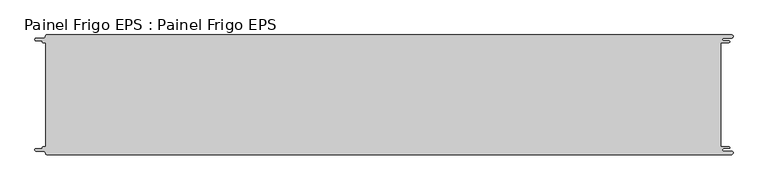
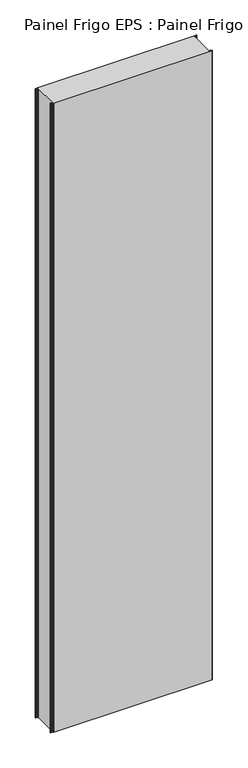
"""IFC4 building model written with IfcOpenShell, lengths in millimetres: proxy geometry, Painel Frigo EPS : Painel Frigo EPS."""

from ifc_helpers import new_model, si_unit, frame, origin, place, context, project, spatial, polyline, circle_curve, source, transform, mapped, element, save
from ifc_brep_helpers import plane_surface, cylinder_surface, revolved_surface, advanced_brep


def painel_frigo_eps_painel_frigo_eps_421d7d4d(model_context):
    return source(origin(), model_context, "Body", "AdvancedBrep", [
        advanced_brep(
        [(-579.5093748, -87.3, 4800.0), (-580.1093748, -87.9, 4800.0), (-580.1093748, -88.7085184, 4800.0), (-581.5093751, -90.1085187, 4800.0), (-590.4875, -90.1085187, 4800.0), (-590.4875, -94.5085185, 4800.0), (-578.471875, -94.5085185, 4800.0), (-574.921875, -98.0585185, 4800.0), (-572.971875, -100.0, 4800.0), (572.284375, -100.0, 4800.0), (572.284375, -94.725, 4800.0), (559.378125, -94.725, 4800.0), (559.378125, -89.875, 4800.0), (568.0406253, -89.875, 4800.0), (568.0406253, -87.3, 4800.0), (554.1906253, -87.3, 4800.0), (554.1906253, 87.3, 4800.0), (568.0406253, 87.3, 4800.0), (568.0406253, 89.875, 4800.0), (559.378125, 89.875, 4800.0), (559.378125, 94.725, 4800.0), (572.284375, 94.725, 4800.0), (572.284375, 100.0, 4800.0), (-572.971875, 100.0, 4800.0), (-574.921875, 98.05, 4800.0), (-578.471875, 94.5085185, 4800.0), (-590.4875, 94.5085185, 4800.0), (-590.4875, 90.1085185, 4800.0), (-581.5093753, 90.1085185, 4800.0), (-580.1093753, 88.7085185, 4800.0), (-580.1093753, 87.9, 4800.0), (-579.5093748, 87.2999995, 4800.0), (-574.2218362, 87.2999995, 4800.0), (-574.2218362, -87.3, 4800.0), (-579.5093748, -87.3, 0.0), (-574.2218362, -87.3, 0.0), (-574.2218362, 87.2999995, 0.0), (-579.5093748, 87.2999995, 0.0), (-580.1093753, 87.9, 0.0), (-580.1093753, 88.7085185, 0.0), (-581.5093753, 90.1085185, 0.0), (-590.4875, 90.1085185, 0.0), (-590.4875, 94.5085185, 0.0), (-578.471875, 94.5085185, 0.0), (-574.921875, 98.0585185, 0.0), (-572.971875, 100.0, 0.0), (572.284375, 100.0, 0.0), (572.284375, 94.725, 0.0), (559.378125, 94.725, 0.0), (559.378125, 89.875, 0.0), (568.0406253, 89.875, 0.0), (568.0406253, 87.3, 0.0), (554.1906253, 87.3, 0.0), (554.1906253, -87.3, 0.0), (568.0406253, -87.3, 0.0), (568.0406253, -89.875, 0.0), (559.378125, -89.875, 0.0), (559.378125, -94.725, 0.0), (572.284375, -94.725, 0.0), (572.284375, -100.0, 0.0), (-572.971875, -100.0, 0.0), (-574.921875, -98.05, 0.0), (-578.471875, -94.5085185, 0.0), (-590.4875, -94.5085185, 0.0), (-590.4875, -90.1085187, 0.0), (-581.5093751, -90.1085187, 0.0), (-580.1093748, -88.7085184, 0.0), (-580.1093748, -87.9, 0.0)],
        [
            (0, 1, circle_curve(frame((-579.5093748, -87.9, 4800.0), z_axis=(0.0, 0.0, 1.0), x_axis=(1.0, 0.0, 0.0)), 0.6)),
            (1, 2),
            (2, 3, circle_curve(frame((-581.5093751, -88.7085184, 4800.0), z_axis=(0.0, 0.0, -1.0), x_axis=(1.0, 0.0, 0.0)), 1.4000003)),
            (3, 4),
            (4, 5, circle_curve(frame((-590.4875, -92.3085186, 4800.0), z_axis=(0.0, 0.0, 1.0), x_axis=(1.0, 0.0, 0.0)), 2.1999999)),
            (5, 6),
            (6, 7, circle_curve(frame((-578.471875, -98.0585185, 4800.0), z_axis=(0.0, 0.0, -1.0), x_axis=(1.0, 0.0, 0.0)), 3.55)),
            (7, 8, circle_curve(frame((-572.971875, -98.05, 4800.0), z_axis=(0.0, 0.0, 1.0), x_axis=(1.0, 0.0, 0.0)), 1.95)),
            (8, 9),
            (9, 10, circle_curve(frame((572.284375, -97.3625, 4800.0), z_axis=(0.0, 0.0, 1.0), x_axis=(1.0, 0.0, 0.0)), 2.6375)),
            (10, 11),
            (11, 12, circle_curve(frame((559.378125, -92.3, 4800.0), z_axis=(0.0, 0.0, -1.0), x_axis=(1.0, 0.0, 0.0)), 2.425)),
            (12, 13),
            (13, 14, circle_curve(frame((568.0406253, -88.5875, 4800.0), z_axis=(0.0, 0.0, 1.0), x_axis=(1.0, 0.0, 0.0)), 1.2875)),
            (14, 15),
            (15, 16),
            (16, 17),
            (17, 18, circle_curve(frame((568.0406253, 88.5875, 4800.0), z_axis=(0.0, 0.0, 1.0), x_axis=(1.0, 0.0, 0.0)), 1.2875)),
            (18, 19),
            (19, 20, circle_curve(frame((559.378125, 92.3, 4800.0), z_axis=(0.0, 0.0, -1.0), x_axis=(1.0, 0.0, 0.0)), 2.425)),
            (20, 21),
            (21, 22, circle_curve(frame((572.284375, 97.3625, 4800.0), z_axis=(0.0, 0.0, 1.0), x_axis=(1.0, 0.0, 0.0)), 2.6375)),
            (22, 23),
            (23, 24, circle_curve(frame((-572.971875, 98.05, 4800.0), z_axis=(0.0, 0.0, 1.0), x_axis=(1.0, 0.0, 0.0)), 1.95)),
            (24, 25, circle_curve(frame((-578.471875, 98.0585185, 4800.0), z_axis=(0.0, 0.0, -1.0), x_axis=(1.0, 0.0, 0.0)), 3.55)),
            (25, 26),
            (26, 27, circle_curve(frame((-590.4875, 92.3085185, 4800.0), z_axis=(0.0, 0.0, 1.0), x_axis=(1.0, 0.0, 0.0)), 2.2)),
            (27, 28),
            (28, 29, circle_curve(frame((-581.5093753, 88.7085185, 4800.0), z_axis=(0.0, 0.0, -1.0), x_axis=(1.0, 0.0, 0.0)), 1.4)),
            (29, 30),
            (30, 31, circle_curve(frame((-579.5093748, 87.9, 4800.0), z_axis=(0.0, 0.0, 1.0), x_axis=(1.0, 0.0, 0.0)), 0.6000005)),
            (31, 32),
            (32, 33),
            (33, 0),
            (34, 35),
            (35, 36),
            (36, 37),
            (37, 38, circle_curve(frame((-579.5093748, 87.9, 0.0), z_axis=(0.0, 0.0, -1.0), x_axis=(1.0, 0.0, 0.0)), 0.6000005)),
            (38, 39),
            (39, 40, circle_curve(frame((-581.5093753, 88.7085185, 0.0), z_axis=(0.0, 0.0, 1.0), x_axis=(1.0, 0.0, 0.0)), 1.4)),
            (40, 41),
            (41, 42, circle_curve(frame((-590.4875, 92.3085185, 0.0), z_axis=(0.0, 0.0, -1.0), x_axis=(1.0, 0.0, 0.0)), 2.2)),
            (42, 43),
            (43, 44, circle_curve(frame((-578.471875, 98.0585185, 0.0), z_axis=(0.0, 0.0, 1.0), x_axis=(1.0, 0.0, 0.0)), 3.55)),
            (44, 45, circle_curve(frame((-572.971875, 98.05, 0.0), z_axis=(0.0, 0.0, -1.0), x_axis=(1.0, 0.0, 0.0)), 1.95)),
            (45, 46),
            (46, 47, circle_curve(frame((572.284375, 97.3625, 0.0), z_axis=(0.0, 0.0, -1.0), x_axis=(1.0, 0.0, 0.0)), 2.6375)),
            (47, 48),
            (48, 49, circle_curve(frame((559.378125, 92.3, 0.0), z_axis=(0.0, 0.0, 1.0), x_axis=(1.0, 0.0, 0.0)), 2.425)),
            (49, 50),
            (50, 51, circle_curve(frame((568.0406253, 88.5875, 0.0), z_axis=(0.0, 0.0, -1.0), x_axis=(1.0, 0.0, 0.0)), 1.2875)),
            (51, 52),
            (52, 53),
            (53, 54),
            (54, 55, circle_curve(frame((568.0406253, -88.5875, 0.0), z_axis=(0.0, 0.0, -1.0), x_axis=(1.0, 0.0, 0.0)), 1.2875)),
            (55, 56),
            (56, 57, circle_curve(frame((559.378125, -92.3, 0.0), z_axis=(0.0, 0.0, 1.0), x_axis=(1.0, 0.0, 0.0)), 2.425)),
            (57, 58),
            (58, 59, circle_curve(frame((572.284375, -97.3625, 0.0), z_axis=(0.0, 0.0, -1.0), x_axis=(1.0, 0.0, 0.0)), 2.6375)),
            (59, 60),
            (60, 61, circle_curve(frame((-572.971875, -98.05, 0.0), z_axis=(0.0, 0.0, -1.0), x_axis=(1.0, 0.0, 0.0)), 1.95)),
            (61, 62, circle_curve(frame((-578.471875, -98.0585185, 0.0), z_axis=(0.0, 0.0, 1.0), x_axis=(1.0, 0.0, 0.0)), 3.55)),
            (62, 63),
            (63, 64, circle_curve(frame((-590.4875, -92.3085186, 0.0), z_axis=(0.0, 0.0, -1.0), x_axis=(1.0, 0.0, 0.0)), 2.1999999)),
            (64, 65),
            (65, 66, circle_curve(frame((-581.5093751, -88.7085184, 0.0), z_axis=(0.0, 0.0, 1.0), x_axis=(1.0, 0.0, 0.0)), 1.4000003)),
            (66, 67),
            (67, 34, circle_curve(frame((-579.5093748, -87.9, 0.0), z_axis=(0.0, 0.0, -1.0), x_axis=(1.0, 0.0, 0.0)), 0.6)),
            (22, 46),
            (45, 23),
            (8, 60),
            (59, 9),
            (33, 35),
            (34, 0),
            (32, 36),
            (31, 37),
            (30, 38),
            (29, 39),
            (28, 40),
            (27, 41),
            (26, 42),
            (25, 43),
            (24, 44),
            (15, 53),
            (52, 16),
            (14, 54),
            (13, 55),
            (12, 56),
            (11, 57),
            (10, 58),
            (7, 61),
            (6, 62),
            (5, 63),
            (4, 64),
            (3, 65),
            (2, 66),
            (1, 67),
            (21, 47),
            (20, 48),
            (19, 49),
            (18, 50),
            (17, 51),
        ],
        [
            plane_surface(frame((-574.2218362, -87.3, 4800.0), z_axis=(0.0, 0.0, 1.0), x_axis=(1.0, 0.0, 0.0))),
            plane_surface(frame((-574.2218362, -87.3, 0.0), z_axis=(0.0, 0.0, -1.0), x_axis=(-1.0, 0.0, 0.0))),
            plane_surface(frame((-572.971875, 100.0, 4800.0), z_axis=(0.0, 1.0, 0.0), x_axis=(0.0, 0.0, -1.0))),
            plane_surface(frame((572.284375, -100.0, 4800.0), z_axis=(0.0, -1.0, 0.0), x_axis=(0.0, 0.0, -1.0))),
            plane_surface(frame((-579.5093748, -87.3, 4800.0), z_axis=(0.0, 1.0, 0.0), x_axis=(0.0, 0.0, -1.0))),
            plane_surface(frame((-574.2218362, -87.3, 4800.0), z_axis=(-1.0, 0.0, 0.0), x_axis=(0.0, 0.0, -1.0))),
            plane_surface(frame((-574.2218362, 87.2999995, 4800.0), z_axis=(0.0, -1.0, 0.0), x_axis=(0.0, 0.0, -1.0))),
            cylinder_surface(frame((-579.5093748, 87.9, 0.0), z_axis=(0.0, 0.0, 1.0), x_axis=(1.0, 0.0, 0.0)), 0.6000005),
            plane_surface(frame((-580.1093753, 87.9, 4800.0), z_axis=(-1.0, -1.757860866232952e-12, 0.0), x_axis=(0.0, 0.0, -1.0))),
            revolved_surface(polyline([(-580.1093753, 88.7085185, 0.0), (-580.1093753, 88.7085185, 4800.0)]), (-581.5093753, 88.7085185, 0.0), (0.0, 0.0, -1.0)),
            plane_surface(frame((-581.5093753, 90.1085185, 4800.0), z_axis=(0.0, -1.0, 0.0), x_axis=(0.0, 0.0, -1.0))),
            cylinder_surface(frame((-590.4875, 92.3085185, 0.0), z_axis=(0.0, 0.0, 1.0), x_axis=(1.0, 0.0, 0.0)), 2.2),
            plane_surface(frame((-590.4875, 94.5085185, 4800.0), z_axis=(0.0, 1.0, 0.0), x_axis=(0.0, 0.0, -1.0))),
            revolved_surface(polyline([(-574.921875, 98.0585185, 0.0), (-574.921875, 98.0585185, 4800.0)]), (-578.471875, 98.0585185, 0.0), (0.0, 0.0, -1.0)),
            cylinder_surface(frame((-572.971875, 98.05, 0.0), z_axis=(0.0, 0.0, 1.0), x_axis=(1.0, 0.0, 0.0)), 1.95),
            plane_surface(frame((554.1906253, 87.3, 4800.0), z_axis=(1.0, 0.0, 0.0), x_axis=(0.0, 0.0, -1.0))),
            plane_surface(frame((554.1906253, -87.3, 4800.0), z_axis=(0.0, 1.0, 0.0), x_axis=(0.0, 0.0, -1.0))),
            cylinder_surface(frame((568.0406253, -88.5875, 0.0), z_axis=(0.0, 0.0, 1.0), x_axis=(1.0, 0.0, 0.0)), 1.2875),
            plane_surface(frame((568.0406253, -89.875, 4800.0), z_axis=(0.0, -1.0, 0.0), x_axis=(0.0, 0.0, -1.0))),
            revolved_surface(polyline([(561.8031249999999, -92.3, 0.0), (561.8031249999999, -92.3, 4800.0)]), (559.378125, -92.3, 0.0), (0.0, 0.0, -1.0)),
            plane_surface(frame((559.378125, -94.725, 4800.0), z_axis=(0.0, 1.0, 0.0), x_axis=(0.0, 0.0, -1.0))),
            cylinder_surface(frame((572.284375, -97.3625, 0.0), z_axis=(0.0, 0.0, 1.0), x_axis=(1.0, 0.0, 0.0)), 2.6375),
            cylinder_surface(frame((-572.971875, -98.05, 0.0), z_axis=(0.0, 0.0, 1.0), x_axis=(1.0, 0.0, 0.0)), 1.95),
            revolved_surface(polyline([(-574.921875, -98.0585185, 0.0), (-574.921875, -98.0585185, 4800.0)]), (-578.471875, -98.0585185, 0.0), (0.0, 0.0, -1.0)),
            plane_surface(frame((-578.471875, -94.5085185, 4800.0), z_axis=(0.0, -1.0, 0.0), x_axis=(0.0, 0.0, -1.0))),
            cylinder_surface(frame((-590.4875, -92.3085186, 0.0), z_axis=(0.0, 0.0, 1.0), x_axis=(1.0, 0.0, 0.0)), 2.1999999),
            plane_surface(frame((-590.4875, -90.1085187, 4800.0), z_axis=(0.0, 1.0, 0.0), x_axis=(0.0, 0.0, -1.0))),
            revolved_surface(polyline([(-580.1093748000001, -88.7085184, 0.0), (-580.1093748000001, -88.7085184, 4800.0)]), (-581.5093751, -88.7085184, 0.0), (0.0, 0.0, -1.0)),
            plane_surface(frame((-580.1093748, -88.7085184, 4800.0), z_axis=(-1.0, 0.0, 0.0), x_axis=(0.0, 0.0, -1.0))),
            cylinder_surface(frame((-579.5093748, -87.9, 0.0), z_axis=(0.0, 0.0, 1.0), x_axis=(1.0, 0.0, 0.0)), 0.6),
            cylinder_surface(frame((572.284375, 97.3625, 0.0), z_axis=(0.0, 0.0, 1.0), x_axis=(1.0, 0.0, 0.0)), 2.6375),
            plane_surface(frame((572.284375, 94.725, 4800.0), z_axis=(0.0, -1.0, 0.0), x_axis=(0.0, 0.0, -1.0))),
            revolved_surface(polyline([(561.8031249999999, 92.3, 0.0), (561.8031249999999, 92.3, 4800.0)]), (559.378125, 92.3, 0.0), (0.0, 0.0, -1.0)),
            plane_surface(frame((559.378125, 89.875, 4800.0), z_axis=(0.0, 1.0, 0.0), x_axis=(0.0, 0.0, -1.0))),
            cylinder_surface(frame((568.0406253, 88.5875, 0.0), z_axis=(0.0, 0.0, 1.0), x_axis=(1.0, 0.0, 0.0)), 1.2875),
            plane_surface(frame((568.0406253, 87.3, 4800.0), z_axis=(0.0, -1.0, 0.0), x_axis=(0.0, 0.0, -1.0))),
        ],
        [
            (0, [[1, 2, 3, 4, 5, 6, 7, 8, 9, 10, 11, 12, 13, 14, 15, 16, 17, 18, 19, 20, 21, 22, 23, 24, 25, 26, 27, 28, 29, 30, 31, 32, 33, 34]]),
            (1, [[35, 36, 37, 38, 39, 40, 41, 42, 43, 44, 45, 46, 47, 48, 49, 50, 51, 52, 53, 54, 55, 56, 57, 58, 59, 60, 61, 62, 63, 64, 65, 66, 67, 68]]),
            (2, [[69, -46, 70, -23]]),
            (3, [[71, -60, 72, -9]]),
            (4, [[73, -35, 74, -34]]),
            (5, [[75, -36, -73, -33]]),
            (6, [[76, -37, -75, -32]]),
            (7, [[77, -38, -76, -31]]),
            (8, [[78, -39, -77, -30]]),
            (9, [[79, -40, -78, -29]]),
            (10, [[80, -41, -79, -28]]),
            (11, [[81, -42, -80, -27]]),
            (12, [[82, -43, -81, -26]]),
            (13, [[83, -44, -82, -25]]),
            (14, [[-70, -45, -83, -24]]),
            (15, [[84, -53, 85, -16]]),
            (16, [[86, -54, -84, -15]]),
            (17, [[87, -55, -86, -14]]),
            (18, [[88, -56, -87, -13]]),
            (19, [[89, -57, -88, -12]]),
            (20, [[90, -58, -89, -11]]),
            (21, [[-72, -59, -90, -10]]),
            (22, [[91, -61, -71, -8]]),
            (23, [[92, -62, -91, -7]]),
            (24, [[93, -63, -92, -6]]),
            (25, [[94, -64, -93, -5]]),
            (26, [[95, -65, -94, -4]]),
            (27, [[96, -66, -95, -3]]),
            (28, [[97, -67, -96, -2]]),
            (29, [[-74, -68, -97, -1]]),
            (30, [[98, -47, -69, -22]]),
            (31, [[99, -48, -98, -21]]),
            (32, [[100, -49, -99, -20]]),
            (33, [[101, -50, -100, -19]]),
            (34, [[102, -51, -101, -18]]),
            (35, [[-85, -52, -102, -17]]),
        ],
    ),
    ])


if __name__ == "__main__":
    model = new_model("IFC4")
    model_context = context("Model", 3, world=origin())
    ifc_project = project(units=[si_unit("LENGTHUNIT", "METRE", prefix="MILLI")], contexts=[model_context])
    site = spatial("IfcSite", under=ifc_project)
    building = spatial("IfcBuilding", under=site)
    placement = place(None, origin())
    painel_frigo_eps_painel_frigo_eps_shape = painel_frigo_eps_painel_frigo_eps_421d7d4d(model_context)
    element("IfcBuildingElementProxy", 1, Name="Painel Frigo EPS : Painel Frigo EPS", ObjectType="Painel Frigo EPS : Painel Frigo EPS", at=placement, inside=building, context=model_context, shape_type="MappedRepresentation", body=[
        mapped(painel_frigo_eps_painel_frigo_eps_shape, transform((0.0, 0.0, 0.0), x_axis=(1.0, 0.0, 0.0), y_axis=(0.0, 1.0, 0.0), z_axis=(0.0, 0.0, 1.0))),
    ])
    save(model, "model.ifc")
